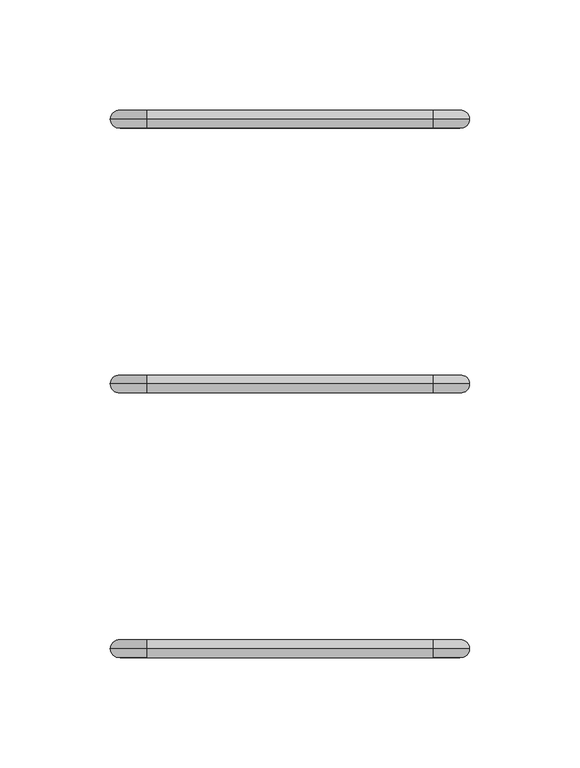
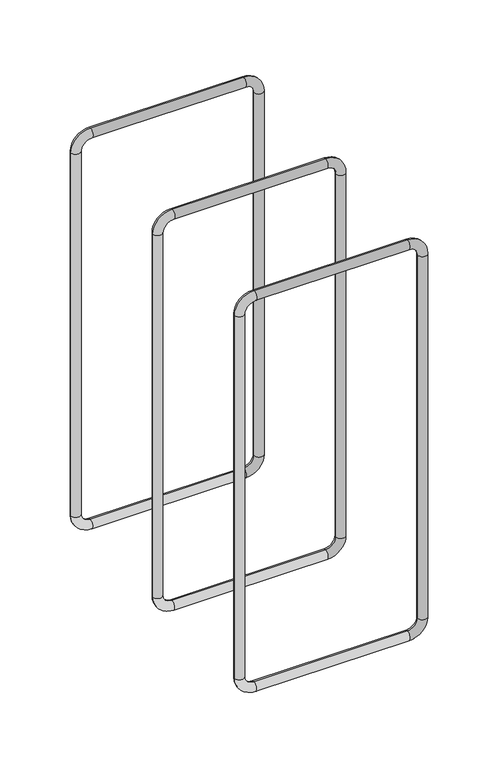
"""IFC4 building model written with IfcOpenShell, lengths in millimetres: proxy geometry."""

import ifcopenshell
import ifcopenshell.guid

model = None  # the IFC model being written
_history = None  # IfcOwnerHistory: only IFC2X3 demands one
_inside = {}  # id of a spatial element -> (the spatial element, [elements in it])
_under = {}  # id of a project, library or spatial element -> (it, [spatial elements below it])
_declared = {}  # id of a project -> (the project, [libraries it declares])
_typed = {}  # id of a type object -> (the type object, [elements of that type])
_made_of = {}  # id of a material, layer set ... -> (it, [elements and type objects made of it])


def new_model(schema):
    """Start an empty IFC model of exactly this schema.

    Asked for "IFC4X3", IfcOpenShell would pick the latest addendum, in which some entities
    have other attributes; the version numbers below select the first issue.
    IFC2X3 requires an IfcOwnerHistory on every rooted entity: one is made here for all.
    """
    global model, _history
    if schema == "IFC4X3":
        model = ifcopenshell.file(schema_version=(4, 3, 0, 0))
    else:
        model = ifcopenshell.file(schema=schema)
    _inside.clear()
    _under.clear()
    _declared.clear()
    _typed.clear()
    _made_of.clear()
    _history = None
    if model.schema == "IFC2X3":
        org = make("IfcOrganization", Name="unknown")
        user = make(
            "IfcPersonAndOrganization",
            ThePerson=make("IfcPerson", FamilyName="unknown"),
            TheOrganization=org,
        )
        app = make(
            "IfcApplication",
            ApplicationDeveloper=org,
            Version="unknown",
            ApplicationFullName="unknown",
            ApplicationIdentifier="unknown",
        )
        _history = make(
            "IfcOwnerHistory",
            OwningUser=user,
            OwningApplication=app,
            ChangeAction="ADDED",
            CreationDate=0,
        )
    return model


def make(cls, **values):
    """One entity of the class cls with the attributes given. An attribute that is None is left unset."""
    return model.create_entity(
        cls, **{name: value for name, value in values.items() if value is not None}
    )


def rooted(cls, **values):
    """An entity with a GlobalId (a new one), such as an element, a storey or a relation."""
    return make(cls, GlobalId=ifcopenshell.guid.new(), OwnerHistory=_history, **values)


def si_unit(unit_type, name, prefix=None):
    """IfcSIUnit, for example si_unit("LENGTHUNIT", "METRE", prefix="MILLI")."""
    return make("IfcSIUnit", UnitType=unit_type, Prefix=prefix, Name=name)


def assignment(units):
    """IfcUnitAssignment: the units of a project."""
    return None if units is None else make("IfcUnitAssignment", Units=units)


def point(xyz):
    """IfcCartesianPoint."""
    return None if xyz is None else make("IfcCartesianPoint", Coordinates=xyz)


def direction(xyz):
    """IfcDirection."""
    return None if xyz is None else make("IfcDirection", DirectionRatios=xyz)


def frame(location, z_axis=None, x_axis=None):
    """IfcAxis2Placement3D, a coordinate frame: its origin and axes. An axis left out is left unset."""
    return make(
        "IfcAxis2Placement3D",
        Location=point(location),
        Axis=direction(z_axis),
        RefDirection=direction(x_axis),
    )


def origin():
    """The frame at (0, 0, 0) with its axes left unset."""
    return frame((0.0, 0.0, 0.0))


def place(relative_to, where):
    """IfcLocalPlacement: puts the frame where relative to a parent placement (None: the world)."""
    return make(
        "IfcLocalPlacement", PlacementRelTo=relative_to, RelativePlacement=where
    )


def context(
    kind, dimensions, precision=None, world=None, true_north=None, identifier=None
):
    """IfcGeometricRepresentationContext, for example the 3D "Model" context."""
    return make(
        "IfcGeometricRepresentationContext",
        ContextIdentifier=identifier,
        ContextType=kind,
        CoordinateSpaceDimension=dimensions,
        Precision=precision,
        WorldCoordinateSystem=world,
        TrueNorth=true_north,
    )


def project(units=None, contexts=None):
    """IfcProject with its units and contexts."""
    return rooted(
        "IfcProject",
        Name="project",
        RepresentationContexts=contexts,
        UnitsInContext=assignment(units),
    )


def spatial(cls, under=None, at=None, **own):
    """A site, building, storey or space (cls), placed at a placement, below another one or the project."""
    s = rooted(cls, ObjectPlacement=at, **own)
    if under is not None:
        _under.setdefault(under.id(), (under, []))[1].append(s)
    return s


def circle_curve(where, radius):
    """IfcCircle in the frame where."""
    return make("IfcCircle", Position=where, Radius=radius)


def ellipse_curve(where, semi_axis1, semi_axis2):
    """IfcEllipse in the frame where."""
    return make(
        "IfcEllipse", Position=where, SemiAxis1=semi_axis1, SemiAxis2=semi_axis2
    )


def trimmed(basis, trim1, trim2, sense, master):
    """IfcTrimmedCurve: the piece of a basis curve between two trims."""
    return make(
        "IfcTrimmedCurve",
        BasisCurve=basis,
        Trim1=trim1,
        Trim2=trim2,
        SenseAgreement=sense,
        MasterRepresentation=master,
    )


def shape(context_of_items, identifier, shape_type, items):
    """IfcShapeRepresentation: the items that make up one representation, for example the "Body"."""
    return make(
        "IfcShapeRepresentation",
        ContextOfItems=context_of_items,
        RepresentationIdentifier=identifier,
        RepresentationType=shape_type,
        Items=items,
    )


def source(mapping_origin, context_of_items, identifier, shape_type, items):
    """IfcRepresentationMap: a shape defined once, which mapped items show again and again."""
    return make(
        "IfcRepresentationMap",
        MappingOrigin=mapping_origin,
        MappedRepresentation=shape(context_of_items, identifier, shape_type, items),
    )


def transform(
    local_origin,
    x_axis=None,
    y_axis=None,
    z_axis=None,
    scale=None,
    scale2=None,
    scale3=None,
    uniform=True,
):
    """IfcCartesianTransformationOperator3D, or its non-uniform kind. x_axis, y_axis, z_axis: its Axis1, 2, 3."""
    if uniform:
        return make(
            "IfcCartesianTransformationOperator3D",
            Axis1=direction(x_axis),
            Axis2=direction(y_axis),
            LocalOrigin=point(local_origin),
            Scale=scale,
            Axis3=direction(z_axis),
        )
    return make(
        "IfcCartesianTransformationOperator3DnonUniform",
        Axis1=direction(x_axis),
        Axis2=direction(y_axis),
        LocalOrigin=point(local_origin),
        Scale=scale,
        Axis3=direction(z_axis),
        Scale2=scale2,
        Scale3=scale3,
    )


def mapped(mapping_source, mapping_target):
    """IfcMappedItem: shows the shape of a source again, moved by a transform."""
    return make(
        "IfcMappedItem", MappingSource=mapping_source, MappingTarget=mapping_target
    )


def made_of(thing, what):
    """Note that an element or type object is made of a material, layer set ...; save() writes the relation."""
    if what is not None:
        _made_of.setdefault(what.id(), (what, []))[1].append(thing)
    return thing


def element(
    cls,
    number,
    at=None,
    inside=None,
    cuts=None,
    type_object=None,
    material=None,
    context=None,
    identifier="Body",
    shape_type=None,
    held_by="IfcProductDefinitionShape",
    body=None,
    shapes=None,
    **own,
):
    """One element of the class cls, such as IfcWall. Its Tag is "e" and its number.

    at: its placement. inside: the storey or other place that contains it. cuts: it is an
    opening in that element (IfcRelVoidsElement). A single representation is given by context,
    identifier, shape_type and body (its items); several are given by shapes. held_by: the class
    of the entity that holds the representations. save() writes the other relations.
    """
    e = rooted(cls, Tag="e%d" % number, ObjectPlacement=at, **own)
    if body is not None:
        shapes = [shape(context, identifier, shape_type, body)]
    if shapes is not None:
        e.Representation = make(held_by, Representations=shapes)
    if inside is not None:
        _inside.setdefault(inside.id(), (inside, []))[1].append(e)
    if cuts is not None:
        rooted(
            "IfcRelVoidsElement", RelatingBuildingElement=cuts, RelatedOpeningElement=e
        )
    if type_object is not None:
        _typed.setdefault(type_object.id(), (type_object, []))[1].append(e)
    return made_of(e, material)


def aggregate(whole, parts):
    """IfcRelAggregates: a whole, such as a stair, and the parts it consists of."""
    return rooted("IfcRelAggregates", RelatingObject=whole, RelatedObjects=parts)


def save(model, path):
    """Write the relations noted so far, then the file.

    IfcRelAggregates (storeys below a building ...), IfcRelContainedInSpatialStructure (elements
    in a storey), IfcRelDefinesByType, IfcRelAssociatesMaterial and IfcRelDeclares: one each for
    every whole, place, type object, material and project.
    """
    for whole, parts in _under.values():
        aggregate(whole, parts)
    for where, things in _inside.values():
        rooted(
            "IfcRelContainedInSpatialStructure",
            RelatedElements=things,
            RelatingStructure=where,
        )
    for kind, things in _typed.values():
        rooted("IfcRelDefinesByType", RelatedObjects=things, RelatingType=kind)
    for what, things in _made_of.values():
        rooted("IfcRelAssociatesMaterial", RelatedObjects=things, RelatingMaterial=what)
    for by, libraries in _declared.values():
        rooted("IfcRelDeclares", RelatingContext=by, RelatedDefinitions=libraries)
    model.write(path)


def cylinder_surface(at, radius):
    """IfcCylindricalSurface: all points at the distance radius from the z axis of the frame at."""
    return make("IfcCylindricalSurface", Position=at, Radius=radius)


def revolved_surface(curve, axis_point, axis_direction):
    """IfcSurfaceOfRevolution: the curve turned about the line through axis_point along axis_direction."""
    return make(
        "IfcSurfaceOfRevolution",
        SweptCurve=make("IfcArbitraryOpenProfileDef", ProfileType="CURVE", Curve=curve),
        AxisPosition=make("IfcAxis1Placement", Location=point(axis_point), Axis=direction(axis_direction)),
    )


def advanced_brep(points, edges, surfaces, faces):
    """IfcAdvancedBrep: a solid bounded by faces that lie on surfaces and meet in shared edges.

    An edge is (start, end): straight between two places in points (the first is 0);
    or (start, end, curve); or (start, end, curve, False) where it runs against its curve.
    A face is (place in surfaces, loops), or (place, loops, False) where it looks against
    its surface's normal. A loop lists edges by number (the first is 1), with a minus sign
    where the edge is run from its end to its start. The first loop is the outer one.
    """
    corners = [point(p) for p in points]
    vertices = [make("IfcVertexPoint", VertexGeometry=c) for c in corners]
    made = []
    for start, end, *more in edges:
        made.append(
            make(
                "IfcEdgeCurve",
                EdgeStart=vertices[start],
                EdgeEnd=vertices[end],
                EdgeGeometry=more[0] if more else make("IfcPolyline", Points=[corners[start], corners[end]]),
                SameSense=more[1] if len(more) > 1 else True,
            )
        )
    hull = []
    for where, loops, *sense in faces:
        bounds = []
        for j, loop in enumerate(loops):
            ring = [make("IfcOrientedEdge", EdgeElement=made[abs(k) - 1], Orientation=k > 0) for k in loop]
            bounds.append(
                make(
                    "IfcFaceOuterBound" if j == 0 else "IfcFaceBound",
                    Bound=make("IfcEdgeLoop", EdgeList=ring),
                    Orientation=True,
                )
            )
        hull.append(make("IfcAdvancedFace", Bounds=bounds, FaceSurface=surfaces[where], SameSense=sense[0] if sense else True))
    return make("IfcAdvancedBrep", Outer=make("IfcClosedShell", CfsFaces=hull))


def generic_models_0c5d6a56(model_context):
    return source(origin(), model_context, "Body", "AdvancedBrep", [
        advanced_brep(
        [(69.0, 240.0, 337.5), (52.5, 240.0, 354.0), (52.5, 240.0, 346.0), (61.0, 240.0, 337.5), (61.0, 240.0, 12.5), (69.0, 240.0, 12.5), (52.5, 240.0, -4.0), (52.5, 240.0, 4.0), (-77.5, 240.0, 4.0), (-77.5, 240.0, -4.0), (-94.0, 240.0, 12.5), (-86.0, 240.0, 12.5), (-86.0, 240.0, 337.5), (-94.0, 240.0, 337.5), (-77.5, 240.0, 354.0), (-77.5, 240.0, 346.0)],
        [
            (0, 1, circle_curve(frame((52.5, 240.0, 337.5), z_axis=(0.0, -1.0, 0.0), x_axis=(0.0, 0.0, 1.0)), 16.5)),
            (1, 2, circle_curve(frame((52.5, 240.0, 350.0), z_axis=(1.0, 0.0, 0.0), x_axis=(0.0, 0.0, 1.0)), 4.0)),
            (2, 3, circle_curve(frame((52.5, 240.0, 337.5), z_axis=(0.0, 1.0, 0.0), x_axis=(0.0, 0.0, 1.0)), 8.5)),
            (3, 0, circle_curve(frame((65.0, 240.0, 337.5), z_axis=(0.0, 0.0, 1.0), x_axis=(1.0, 0.0, 0.0)), 4.0)),
            (2, 1, circle_curve(frame((52.5, 240.0, 350.0), z_axis=(1.0, 0.0, 0.0), x_axis=(0.0, 0.0, 1.0)), 4.0)),
            (0, 3, circle_curve(frame((65.0, 240.0, 337.5), z_axis=(0.0, 0.0, 1.0), x_axis=(1.0, 0.0, 0.0)), 4.0)),
            (3, 4),
            (4, 5, circle_curve(frame((65.0, 240.0, 12.5), z_axis=(0.0, 0.0, 1.0), x_axis=(1.0, 0.0, 0.0)), 4.0)),
            (5, 0),
            (5, 4, circle_curve(frame((65.0, 240.0, 12.5), z_axis=(0.0, 0.0, 1.0), x_axis=(1.0, 0.0, 0.0)), 4.0)),
            (6, 5, circle_curve(frame((52.5, 240.0, 12.5), z_axis=(0.0, -1.0, 0.0), x_axis=(1.0, 0.0, 0.0)), 16.5)),
            (4, 7, circle_curve(frame((52.5, 240.0, 12.5), z_axis=(0.0, 1.0, 0.0), x_axis=(1.0, 0.0, 0.0)), 8.5)),
            (7, 6, circle_curve(frame((52.5, 240.0, 0.0), z_axis=(1.0, 0.0, 0.0), x_axis=(0.0, 0.0, -1.0)), 4.0)),
            (6, 7, circle_curve(frame((52.5, 240.0, 0.0), z_axis=(1.0, 0.0, 0.0), x_axis=(0.0, 0.0, -1.0)), 4.0)),
            (7, 8),
            (8, 9, circle_curve(frame((-77.5, 240.0, 0.0), z_axis=(1.0, 0.0, 0.0), x_axis=(0.0, 0.0, -1.0)), 4.0)),
            (9, 6),
            (9, 8, circle_curve(frame((-77.5, 240.0, 0.0), z_axis=(1.0, 0.0, 0.0), x_axis=(0.0, 0.0, -1.0)), 4.0)),
            (10, 9, circle_curve(frame((-77.5, 240.0, 12.5), z_axis=(0.0, -1.0, 0.0), x_axis=(0.0, 0.0, -1.0)), 16.5)),
            (8, 11, circle_curve(frame((-77.5, 240.0, 12.5), z_axis=(0.0, 1.0, 0.0), x_axis=(0.0, 0.0, -1.0)), 8.5)),
            (11, 10, circle_curve(frame((-90.0, 240.0, 12.5), z_axis=(0.0, 0.0, -1.0), x_axis=(-1.0, 0.0, 0.0)), 4.0)),
            (10, 11, circle_curve(frame((-90.0, 240.0, 12.5), z_axis=(0.0, 0.0, -1.0), x_axis=(-1.0, 0.0, 0.0)), 4.0)),
            (11, 12),
            (12, 13, circle_curve(frame((-90.0, 240.0, 337.5), z_axis=(0.0, 0.0, -1.0), x_axis=(-1.0, 0.0, 0.0)), 4.0)),
            (13, 10),
            (13, 12, circle_curve(frame((-90.0, 240.0, 337.5), z_axis=(0.0, 0.0, -1.0), x_axis=(-1.0, 0.0, 0.0)), 4.0)),
            (14, 13, circle_curve(frame((-77.5, 240.0, 337.5), z_axis=(0.0, -1.0, 0.0), x_axis=(-1.0, 0.0, 0.0)), 16.5)),
            (12, 15, circle_curve(frame((-77.5, 240.0, 337.5), z_axis=(0.0, 1.0, 0.0), x_axis=(-1.0, 0.0, 0.0)), 8.5)),
            (15, 14, circle_curve(frame((-77.5, 240.0, 350.0), z_axis=(-1.0, 0.0, 0.0), x_axis=(0.0, 0.0, 1.0)), 4.0)),
            (14, 15, circle_curve(frame((-77.5, 240.0, 350.0), z_axis=(-1.0, 0.0, 0.0), x_axis=(0.0, 0.0, 1.0)), 4.0)),
            (15, 2),
            (1, 14),
        ],
        [
            revolved_surface(trimmed(ellipse_curve(frame((52.5, 240.0, 350.0), z_axis=(-1.0, 0.0, 0.0), x_axis=(0.0, 0.0, 1.0)), 4.0, 4.0), [point((52.5, 240.0, 346.0))], [point((52.5, 240.0, 354.0))], True, "CARTESIAN"), (52.5, 240.0, 337.5), (0.0, 1.0, 0.0)),
            revolved_surface(trimmed(ellipse_curve(frame((52.5, 240.0, 350.0), z_axis=(-1.0, 0.0, 0.0), x_axis=(0.0, 0.0, 1.0)), 4.0, 4.0), [point((52.5, 240.0, 354.0))], [point((52.5, 240.0, 346.0))], True, "CARTESIAN"), (52.5, 240.0, 337.5), (0.0, 1.0, 0.0)),
            cylinder_surface(frame((65.0, 240.0, 337.5), z_axis=(0.0, 0.0, 1.0), x_axis=(1.0, 0.0, 0.0)), 4.0),
            revolved_surface(trimmed(ellipse_curve(frame((65.0, 240.0, 12.5), z_axis=(0.0, 0.0, 1.0), x_axis=(1.0, 0.0, 0.0)), 4.0, 4.0), [point((61.0, 240.0, 12.5))], [point((69.0, 240.0, 12.5))], True, "CARTESIAN"), (52.5, 240.0, 12.5), (0.0, 1.0, 0.0)),
            revolved_surface(trimmed(ellipse_curve(frame((65.0, 240.0, 12.5), z_axis=(0.0, 0.0, 1.0), x_axis=(1.0, 0.0, 0.0)), 4.0, 4.0), [point((69.0, 240.0, 12.5))], [point((61.0, 240.0, 12.5))], True, "CARTESIAN"), (52.5, 240.0, 12.5), (0.0, 1.0, 0.0)),
            cylinder_surface(frame((52.5, 240.0, 0.0), z_axis=(1.0, 0.0, 0.0), x_axis=(0.0, 0.0, -1.0)), 4.0),
            revolved_surface(trimmed(ellipse_curve(frame((-77.5, 240.0, 0.0), z_axis=(1.0, 0.0, 0.0), x_axis=(0.0, 0.0, -1.0)), 4.0, 4.0), [point((-77.5, 240.0, 4.0))], [point((-77.5, 240.0, -4.0))], True, "CARTESIAN"), (-77.5, 240.0, 12.5), (0.0, 1.0, 0.0)),
            revolved_surface(trimmed(ellipse_curve(frame((-77.5, 240.0, 0.0), z_axis=(1.0, 0.0, 0.0), x_axis=(0.0, 0.0, -1.0)), 4.0, 4.0), [point((-77.5, 240.0, -4.0))], [point((-77.5, 240.0, 4.0))], True, "CARTESIAN"), (-77.5, 240.0, 12.5), (0.0, 1.0, 0.0)),
            cylinder_surface(frame((-90.0, 240.0, 12.5), z_axis=(0.0, 0.0, -1.0), x_axis=(-1.0, 0.0, 0.0)), 4.0),
            revolved_surface(trimmed(ellipse_curve(frame((-90.0, 240.0, 337.5), z_axis=(0.0, 0.0, -1.0), x_axis=(-1.0, 0.0, 0.0)), 4.0, 4.0), [point((-86.0, 240.0, 337.5))], [point((-94.0, 240.0, 337.5))], True, "CARTESIAN"), (-77.5, 240.0, 337.5), (0.0, 1.0, 0.0)),
            revolved_surface(trimmed(ellipse_curve(frame((-90.0, 240.0, 337.5), z_axis=(0.0, 0.0, -1.0), x_axis=(-1.0, 0.0, 0.0)), 4.0, 4.0), [point((-94.0, 240.0, 337.5))], [point((-86.0, 240.0, 337.5))], True, "CARTESIAN"), (-77.5, 240.0, 337.5), (0.0, 1.0, 0.0)),
            cylinder_surface(frame((-77.5, 240.0, 350.0), z_axis=(-1.0, 0.0, 0.0), x_axis=(0.0, 0.0, 1.0)), 4.0),
        ],
        [
            (0, [[1, 2, 3, 4]]),
            (1, [[-3, 5, -1, 6]]),
            (2, [[-4, 7, 8, 9]]),
            (2, [[-6, -9, 10, -7]]),
            (3, [[11, -8, 12, 13]]),
            (4, [[-12, -10, -11, 14]]),
            (5, [[-13, 15, 16, 17]]),
            (5, [[-14, -17, 18, -15]]),
            (6, [[19, -16, 20, 21]]),
            (7, [[-20, -18, -19, 22]]),
            (8, [[-21, 23, 24, 25]]),
            (8, [[-22, -25, 26, -23]]),
            (9, [[27, -24, 28, 29]]),
            (10, [[-28, -26, -27, 30]]),
            (11, [[-29, 31, -2, 32]]),
            (11, [[-30, -32, -5, -31]]),
        ],
    ),
        advanced_brep(
        [(69.0, 120.0, 337.5), (52.5, 120.0, 354.0), (52.5, 120.0, 346.0), (61.0, 120.0, 337.5), (61.0, 120.0, 12.5), (69.0, 120.0, 12.5), (52.5, 120.0, -4.0), (52.5, 120.0, 4.0), (-77.5, 120.0, 4.0), (-77.5, 120.0, -4.0), (-94.0, 120.0, 12.5), (-86.0, 120.0, 12.5), (-86.0, 120.0, 337.5), (-94.0, 120.0, 337.5), (-77.5, 120.0, 354.0), (-77.5, 120.0, 346.0)],
        [
            (0, 1, circle_curve(frame((52.5, 120.0, 337.5), z_axis=(0.0, -1.0, 0.0), x_axis=(0.0, 0.0, 1.0)), 16.5)),
            (1, 2, circle_curve(frame((52.5, 120.0, 350.0), z_axis=(1.0, 0.0, 0.0), x_axis=(0.0, 0.0, 1.0)), 4.0)),
            (2, 3, circle_curve(frame((52.5, 120.0, 337.5), z_axis=(0.0, 1.0, 0.0), x_axis=(0.0, 0.0, 1.0)), 8.5)),
            (3, 0, circle_curve(frame((65.0, 120.0, 337.5), z_axis=(0.0, 0.0, 1.0), x_axis=(1.0, 0.0, 0.0)), 4.0)),
            (2, 1, circle_curve(frame((52.5, 120.0, 350.0), z_axis=(1.0, 0.0, 0.0), x_axis=(0.0, 0.0, 1.0)), 4.0)),
            (0, 3, circle_curve(frame((65.0, 120.0, 337.5), z_axis=(0.0, 0.0, 1.0), x_axis=(1.0, 0.0, 0.0)), 4.0)),
            (3, 4),
            (4, 5, circle_curve(frame((65.0, 120.0, 12.5), z_axis=(0.0, 0.0, 1.0), x_axis=(1.0, 0.0, 0.0)), 4.0)),
            (5, 0),
            (5, 4, circle_curve(frame((65.0, 120.0, 12.5), z_axis=(0.0, 0.0, 1.0), x_axis=(1.0, 0.0, 0.0)), 4.0)),
            (6, 5, circle_curve(frame((52.5, 120.0, 12.5), z_axis=(0.0, -1.0, 0.0), x_axis=(1.0, 0.0, 0.0)), 16.5)),
            (4, 7, circle_curve(frame((52.5, 120.0, 12.5), z_axis=(0.0, 1.0, 0.0), x_axis=(1.0, 0.0, 0.0)), 8.5)),
            (7, 6, circle_curve(frame((52.5, 120.0, 0.0), z_axis=(1.0, 0.0, 0.0), x_axis=(0.0, 0.0, -1.0)), 4.0)),
            (6, 7, circle_curve(frame((52.5, 120.0, 0.0), z_axis=(1.0, 0.0, 0.0), x_axis=(0.0, 0.0, -1.0)), 4.0)),
            (7, 8),
            (8, 9, circle_curve(frame((-77.5, 120.0, 0.0), z_axis=(1.0, 0.0, 0.0), x_axis=(0.0, 0.0, -1.0)), 4.0)),
            (9, 6),
            (9, 8, circle_curve(frame((-77.5, 120.0, 0.0), z_axis=(1.0, 0.0, 0.0), x_axis=(0.0, 0.0, -1.0)), 4.0)),
            (10, 9, circle_curve(frame((-77.5, 120.0, 12.5), z_axis=(0.0, -1.0, 0.0), x_axis=(0.0, 0.0, -1.0)), 16.5)),
            (8, 11, circle_curve(frame((-77.5, 120.0, 12.5), z_axis=(0.0, 1.0, 0.0), x_axis=(0.0, 0.0, -1.0)), 8.5)),
            (11, 10, circle_curve(frame((-90.0, 120.0, 12.5), z_axis=(0.0, 0.0, -1.0), x_axis=(-1.0, 0.0, 0.0)), 4.0)),
            (10, 11, circle_curve(frame((-90.0, 120.0, 12.5), z_axis=(0.0, 0.0, -1.0), x_axis=(-1.0, 0.0, 0.0)), 4.0)),
            (11, 12),
            (12, 13, circle_curve(frame((-90.0, 120.0, 337.5), z_axis=(0.0, 0.0, -1.0), x_axis=(-1.0, 0.0, 0.0)), 4.0)),
            (13, 10),
            (13, 12, circle_curve(frame((-90.0, 120.0, 337.5), z_axis=(0.0, 0.0, -1.0), x_axis=(-1.0, 0.0, 0.0)), 4.0)),
            (14, 13, circle_curve(frame((-77.5, 120.0, 337.5), z_axis=(0.0, -1.0, 0.0), x_axis=(-1.0, 0.0, 0.0)), 16.5)),
            (12, 15, circle_curve(frame((-77.5, 120.0, 337.5), z_axis=(0.0, 1.0, 0.0), x_axis=(-1.0, 0.0, 0.0)), 8.5)),
            (15, 14, circle_curve(frame((-77.5, 120.0, 350.0), z_axis=(-1.0, 0.0, 0.0), x_axis=(0.0, 0.0, 1.0)), 4.0)),
            (14, 15, circle_curve(frame((-77.5, 120.0, 350.0), z_axis=(-1.0, 0.0, 0.0), x_axis=(0.0, 0.0, 1.0)), 4.0)),
            (15, 2),
            (1, 14),
        ],
        [
            revolved_surface(trimmed(ellipse_curve(frame((52.5, 120.0, 350.0), z_axis=(-1.0, 0.0, 0.0), x_axis=(0.0, 0.0, 1.0)), 4.0, 4.0), [point((52.5, 120.0, 346.0))], [point((52.5, 120.0, 354.0))], True, "CARTESIAN"), (52.5, 120.0, 337.5), (0.0, 1.0, 0.0)),
            revolved_surface(trimmed(ellipse_curve(frame((52.5, 120.0, 350.0), z_axis=(-1.0, 0.0, 0.0), x_axis=(0.0, 0.0, 1.0)), 4.0, 4.0), [point((52.5, 120.0, 354.0))], [point((52.5, 120.0, 346.0))], True, "CARTESIAN"), (52.5, 120.0, 337.5), (0.0, 1.0, 0.0)),
            cylinder_surface(frame((65.0, 120.0, 337.5), z_axis=(0.0, 0.0, 1.0), x_axis=(1.0, 0.0, 0.0)), 4.0),
            revolved_surface(trimmed(ellipse_curve(frame((65.0, 120.0, 12.5), z_axis=(0.0, 0.0, 1.0), x_axis=(1.0, 0.0, 0.0)), 4.0, 4.0), [point((61.0, 120.0, 12.5))], [point((69.0, 120.0, 12.5))], True, "CARTESIAN"), (52.5, 120.0, 12.5), (0.0, 1.0, 0.0)),
            revolved_surface(trimmed(ellipse_curve(frame((65.0, 120.0, 12.5), z_axis=(0.0, 0.0, 1.0), x_axis=(1.0, 0.0, 0.0)), 4.0, 4.0), [point((69.0, 120.0, 12.5))], [point((61.0, 120.0, 12.5))], True, "CARTESIAN"), (52.5, 120.0, 12.5), (0.0, 1.0, 0.0)),
            cylinder_surface(frame((52.5, 120.0, 0.0), z_axis=(1.0, 0.0, 0.0), x_axis=(0.0, 0.0, -1.0)), 4.0),
            revolved_surface(trimmed(ellipse_curve(frame((-77.5, 120.0, 0.0), z_axis=(1.0, 0.0, 0.0), x_axis=(0.0, 0.0, -1.0)), 4.0, 4.0), [point((-77.5, 120.0, 4.0))], [point((-77.5, 120.0, -4.0))], True, "CARTESIAN"), (-77.5, 120.0, 12.5), (0.0, 1.0, 0.0)),
            revolved_surface(trimmed(ellipse_curve(frame((-77.5, 120.0, 0.0), z_axis=(1.0, 0.0, 0.0), x_axis=(0.0, 0.0, -1.0)), 4.0, 4.0), [point((-77.5, 120.0, -4.0))], [point((-77.5, 120.0, 4.0))], True, "CARTESIAN"), (-77.5, 120.0, 12.5), (0.0, 1.0, 0.0)),
            cylinder_surface(frame((-90.0, 120.0, 12.5), z_axis=(0.0, 0.0, -1.0), x_axis=(-1.0, 0.0, 0.0)), 4.0),
            revolved_surface(trimmed(ellipse_curve(frame((-90.0, 120.0, 337.5), z_axis=(0.0, 0.0, -1.0), x_axis=(-1.0, 0.0, 0.0)), 4.0, 4.0), [point((-86.0, 120.0, 337.5))], [point((-94.0, 120.0, 337.5))], True, "CARTESIAN"), (-77.5, 120.0, 337.5), (0.0, 1.0, 0.0)),
            revolved_surface(trimmed(ellipse_curve(frame((-90.0, 120.0, 337.5), z_axis=(0.0, 0.0, -1.0), x_axis=(-1.0, 0.0, 0.0)), 4.0, 4.0), [point((-94.0, 120.0, 337.5))], [point((-86.0, 120.0, 337.5))], True, "CARTESIAN"), (-77.5, 120.0, 337.5), (0.0, 1.0, 0.0)),
            cylinder_surface(frame((-77.5, 120.0, 350.0), z_axis=(-1.0, 0.0, 0.0), x_axis=(0.0, 0.0, 1.0)), 4.0),
        ],
        [
            (0, [[1, 2, 3, 4]]),
            (1, [[-3, 5, -1, 6]]),
            (2, [[-4, 7, 8, 9]]),
            (2, [[-6, -9, 10, -7]]),
            (3, [[11, -8, 12, 13]]),
            (4, [[-12, -10, -11, 14]]),
            (5, [[-13, 15, 16, 17]]),
            (5, [[-14, -17, 18, -15]]),
            (6, [[19, -16, 20, 21]]),
            (7, [[-20, -18, -19, 22]]),
            (8, [[-21, 23, 24, 25]]),
            (8, [[-22, -25, 26, -23]]),
            (9, [[27, -24, 28, 29]]),
            (10, [[-28, -26, -27, 30]]),
            (11, [[-29, 31, -2, 32]]),
            (11, [[-30, -32, -5, -31]]),
        ],
    ),
        advanced_brep(
        [(69.0, 0.0, 337.5), (52.5, 0.0, 354.0), (52.5, 0.0, 346.0), (61.0, 0.0, 337.5), (61.0, 0.0, 12.5), (69.0, 0.0, 12.5), (52.5, 0.0, -4.0), (52.5, 0.0, 4.0), (-77.5, 0.0, 4.0), (-77.5, 0.0, -4.0), (-94.0, 0.0, 12.5), (-86.0, 0.0, 12.5), (-86.0, 0.0, 337.5), (-94.0, 0.0, 337.5), (-77.5, 0.0, 354.0), (-77.5, 0.0, 346.0)],
        [
            (0, 1, circle_curve(frame((52.5, 0.0, 337.5), z_axis=(0.0, -1.0, 0.0), x_axis=(0.0, 0.0, 1.0)), 16.5)),
            (1, 2, circle_curve(frame((52.5, 0.0, 350.0), z_axis=(1.0, 0.0, 0.0), x_axis=(0.0, 0.0, 1.0)), 4.0)),
            (2, 3, circle_curve(frame((52.5, 0.0, 337.5), z_axis=(0.0, 1.0, 0.0), x_axis=(0.0, 0.0, 1.0)), 8.5)),
            (3, 0, circle_curve(frame((65.0, 0.0, 337.5), z_axis=(0.0, 0.0, 1.0), x_axis=(1.0, 0.0, 0.0)), 4.0)),
            (2, 1, circle_curve(frame((52.5, 0.0, 350.0), z_axis=(1.0, 0.0, 0.0), x_axis=(0.0, 0.0, 1.0)), 4.0)),
            (0, 3, circle_curve(frame((65.0, 0.0, 337.5), z_axis=(0.0, 0.0, 1.0), x_axis=(1.0, 0.0, 0.0)), 4.0)),
            (3, 4),
            (4, 5, circle_curve(frame((65.0, 0.0, 12.5), z_axis=(0.0, 0.0, 1.0), x_axis=(1.0, 0.0, 0.0)), 4.0)),
            (5, 0),
            (5, 4, circle_curve(frame((65.0, 0.0, 12.5), z_axis=(0.0, 0.0, 1.0), x_axis=(1.0, 0.0, 0.0)), 4.0)),
            (6, 5, circle_curve(frame((52.5, 0.0, 12.5), z_axis=(0.0, -1.0, 0.0), x_axis=(1.0, 0.0, 0.0)), 16.5)),
            (4, 7, circle_curve(frame((52.5, 0.0, 12.5), z_axis=(0.0, 1.0, 0.0), x_axis=(1.0, 0.0, 0.0)), 8.5)),
            (7, 6, circle_curve(frame((52.5, 0.0, 0.0), z_axis=(1.0, 0.0, 0.0), x_axis=(0.0, 0.0, -1.0)), 4.0)),
            (6, 7, circle_curve(frame((52.5, 0.0, 0.0), z_axis=(1.0, 0.0, 0.0), x_axis=(0.0, 0.0, -1.0)), 4.0)),
            (7, 8),
            (8, 9, circle_curve(frame((-77.5, 0.0, 0.0), z_axis=(1.0, 0.0, 0.0), x_axis=(0.0, 0.0, -1.0)), 4.0)),
            (9, 6),
            (9, 8, circle_curve(frame((-77.5, 0.0, 0.0), z_axis=(1.0, 0.0, 0.0), x_axis=(0.0, 0.0, -1.0)), 4.0)),
            (10, 9, circle_curve(frame((-77.5, 0.0, 12.5), z_axis=(0.0, -1.0, 0.0), x_axis=(0.0, 0.0, -1.0)), 16.5)),
            (8, 11, circle_curve(frame((-77.5, 0.0, 12.5), z_axis=(0.0, 1.0, 0.0), x_axis=(0.0, 0.0, -1.0)), 8.5)),
            (11, 10, circle_curve(frame((-90.0, 0.0, 12.5), z_axis=(0.0, 0.0, -1.0), x_axis=(-1.0, 0.0, 0.0)), 4.0)),
            (10, 11, circle_curve(frame((-90.0, 0.0, 12.5), z_axis=(0.0, 0.0, -1.0), x_axis=(-1.0, 0.0, 0.0)), 4.0)),
            (11, 12),
            (12, 13, circle_curve(frame((-90.0, 0.0, 337.5), z_axis=(0.0, 0.0, -1.0), x_axis=(-1.0, 0.0, 0.0)), 4.0)),
            (13, 10),
            (13, 12, circle_curve(frame((-90.0, 0.0, 337.5), z_axis=(0.0, 0.0, -1.0), x_axis=(-1.0, 0.0, 0.0)), 4.0)),
            (14, 13, circle_curve(frame((-77.5, 0.0, 337.5), z_axis=(0.0, -1.0, 0.0), x_axis=(-1.0, 0.0, 0.0)), 16.5)),
            (12, 15, circle_curve(frame((-77.5, 0.0, 337.5), z_axis=(0.0, 1.0, 0.0), x_axis=(-1.0, 0.0, 0.0)), 8.5)),
            (15, 14, circle_curve(frame((-77.5, 0.0, 350.0), z_axis=(-1.0, 0.0, 0.0), x_axis=(0.0, 0.0, 1.0)), 4.0)),
            (14, 15, circle_curve(frame((-77.5, 0.0, 350.0), z_axis=(-1.0, 0.0, 0.0), x_axis=(0.0, 0.0, 1.0)), 4.0)),
            (15, 2),
            (1, 14),
        ],
        [
            revolved_surface(trimmed(ellipse_curve(frame((52.5, 0.0, 350.0), z_axis=(-1.0, 0.0, 0.0), x_axis=(0.0, 0.0, 1.0)), 4.0, 4.0), [point((52.5, 0.0, 346.0))], [point((52.5, 0.0, 354.0))], True, "CARTESIAN"), (52.5, 0.0, 337.5), (0.0, 1.0, 0.0)),
            revolved_surface(trimmed(ellipse_curve(frame((52.5, 0.0, 350.0), z_axis=(-1.0, 0.0, 0.0), x_axis=(0.0, 0.0, 1.0)), 4.0, 4.0), [point((52.5, 0.0, 354.0))], [point((52.5, 0.0, 346.0))], True, "CARTESIAN"), (52.5, 0.0, 337.5), (0.0, 1.0, 0.0)),
            cylinder_surface(frame((65.0, 0.0, 337.5), z_axis=(0.0, 0.0, 1.0), x_axis=(1.0, 0.0, 0.0)), 4.0),
            revolved_surface(trimmed(ellipse_curve(frame((65.0, 0.0, 12.5), z_axis=(0.0, 0.0, 1.0), x_axis=(1.0, 0.0, 0.0)), 4.0, 4.0), [point((61.0, 0.0, 12.5))], [point((69.0, 0.0, 12.5))], True, "CARTESIAN"), (52.5, 0.0, 12.5), (0.0, 1.0, 0.0)),
            revolved_surface(trimmed(ellipse_curve(frame((65.0, 0.0, 12.5), z_axis=(0.0, 0.0, 1.0), x_axis=(1.0, 0.0, 0.0)), 4.0, 4.0), [point((69.0, 0.0, 12.5))], [point((61.0, 0.0, 12.5))], True, "CARTESIAN"), (52.5, 0.0, 12.5), (0.0, 1.0, 0.0)),
            cylinder_surface(frame((52.5, 0.0, 0.0), z_axis=(1.0, 0.0, 0.0), x_axis=(0.0, 0.0, -1.0)), 4.0),
            revolved_surface(trimmed(ellipse_curve(frame((-77.5, 0.0, 0.0), z_axis=(1.0, 0.0, 0.0), x_axis=(0.0, 0.0, -1.0)), 4.0, 4.0), [point((-77.5, 0.0, 4.0))], [point((-77.5, 0.0, -4.0))], True, "CARTESIAN"), (-77.5, 0.0, 12.5), (0.0, 1.0, 0.0)),
            revolved_surface(trimmed(ellipse_curve(frame((-77.5, 0.0, 0.0), z_axis=(1.0, 0.0, 0.0), x_axis=(0.0, 0.0, -1.0)), 4.0, 4.0), [point((-77.5, 0.0, -4.0))], [point((-77.5, 0.0, 4.0))], True, "CARTESIAN"), (-77.5, 0.0, 12.5), (0.0, 1.0, 0.0)),
            cylinder_surface(frame((-90.0, 0.0, 12.5), z_axis=(0.0, 0.0, -1.0), x_axis=(-1.0, 0.0, 0.0)), 4.0),
            revolved_surface(trimmed(ellipse_curve(frame((-90.0, 0.0, 337.5), z_axis=(0.0, 0.0, -1.0), x_axis=(-1.0, 0.0, 0.0)), 4.0, 4.0), [point((-86.0, 0.0, 337.5))], [point((-94.0, 0.0, 337.5))], True, "CARTESIAN"), (-77.5, 0.0, 337.5), (0.0, 1.0, 0.0)),
            revolved_surface(trimmed(ellipse_curve(frame((-90.0, 0.0, 337.5), z_axis=(0.0, 0.0, -1.0), x_axis=(-1.0, 0.0, 0.0)), 4.0, 4.0), [point((-94.0, 0.0, 337.5))], [point((-86.0, 0.0, 337.5))], True, "CARTESIAN"), (-77.5, 0.0, 337.5), (0.0, 1.0, 0.0)),
            cylinder_surface(frame((-77.5, 0.0, 350.0), z_axis=(-1.0, 0.0, 0.0), x_axis=(0.0, 0.0, 1.0)), 4.0),
        ],
        [
            (0, [[1, 2, 3, 4]]),
            (1, [[-3, 5, -1, 6]]),
            (2, [[-4, 7, 8, 9]]),
            (2, [[-6, -9, 10, -7]]),
            (3, [[11, -8, 12, 13]]),
            (4, [[-12, -10, -11, 14]]),
            (5, [[-13, 15, 16, 17]]),
            (5, [[-14, -17, 18, -15]]),
            (6, [[19, -16, 20, 21]]),
            (7, [[-20, -18, -19, 22]]),
            (8, [[-21, 23, 24, 25]]),
            (8, [[-22, -25, 26, -23]]),
            (9, [[27, -24, 28, 29]]),
            (10, [[-28, -26, -27, 30]]),
            (11, [[-29, 31, -2, 32]]),
            (11, [[-30, -32, -5, -31]]),
        ],
    ),
    ])


if __name__ == "__main__":
    model = new_model("IFC4")
    model_context = context("Model", 3, world=origin())
    ifc_project = project(units=[si_unit("LENGTHUNIT", "METRE", prefix="MILLI")], contexts=[model_context])
    site = spatial("IfcSite", under=ifc_project)
    building = spatial("IfcBuilding", under=site)
    placement = place(None, origin())
    generic_models_shape = generic_models_0c5d6a56(model_context)
    element("IfcBuildingElementProxy", 1, Name="Generic Models", at=placement, inside=building, context=model_context, shape_type="MappedRepresentation", body=[
        mapped(generic_models_shape, transform((0.0, 0.0, 0.0), x_axis=(1.0, 0.0, 0.0), y_axis=(0.0, 1.0, 0.0), z_axis=(0.0, 0.0, 1.0))),
    ])
    save(model, "model.ifc")
